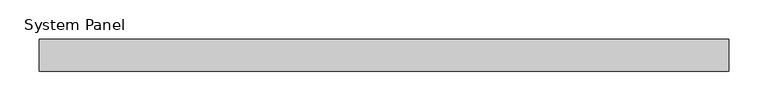
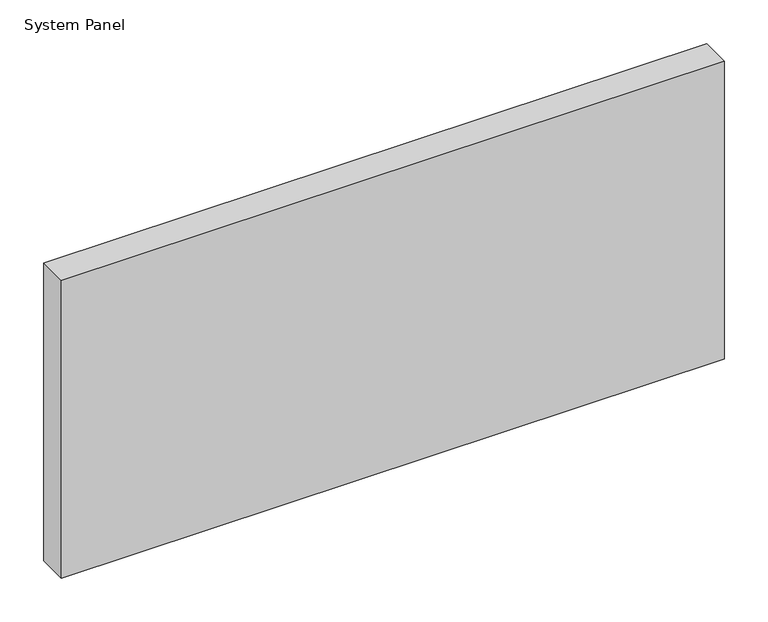
"""IFC4 building model written with IfcOpenShell, lengths in millimetres: plate geometry, System Panel."""

from ifc_helpers import new_model, si_unit, origin, origin_with_axes, place, context, project, spatial, polyline, outline, extrude, source, transform, mapped, element, save


def system_panel_3dbf9712(model_context):
    return source(origin(), model_context, "Body", "SweptSolid", [
        extrude(outline(polyline([(436.6666667, -54.0), (-436.6666667, -54.0), (-436.6666667, -14.0), (436.6666667, -14.0), (436.6666667, -54.0)])), origin_with_axes(), (0.0, 0.0, 1.0), 415.0),
    ])


if __name__ == "__main__":
    model = new_model("IFC4")
    model_context = context("Model", 3, world=origin())
    ifc_project = project(units=[si_unit("LENGTHUNIT", "METRE", prefix="MILLI")], contexts=[model_context])
    site = spatial("IfcSite", under=ifc_project)
    building = spatial("IfcBuilding", under=site)
    placement = place(None, origin())
    system_panel_shape = system_panel_3dbf9712(model_context)
    element("IfcPlate", 1, ObjectType="System Panel", at=placement, inside=building, context=model_context, shape_type="MappedRepresentation", body=[
        mapped(system_panel_shape, transform((0.0, 0.0, 0.0), x_axis=(1.0, 0.0, 0.0), y_axis=(0.0, 1.0, 0.0), z_axis=(0.0, 0.0, 1.0))),
    ])
    save(model, "model.ifc")
